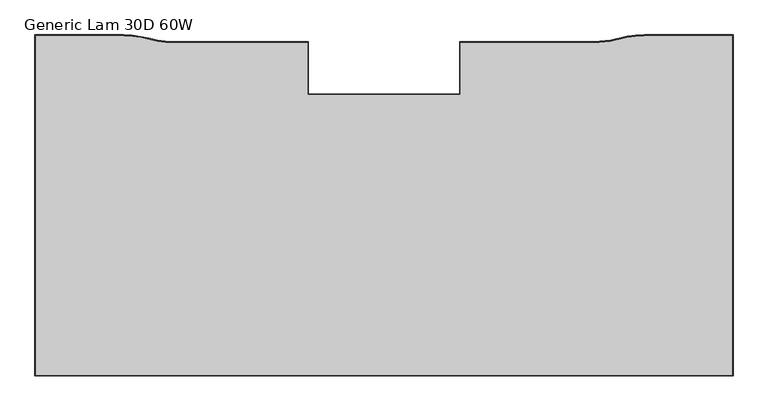
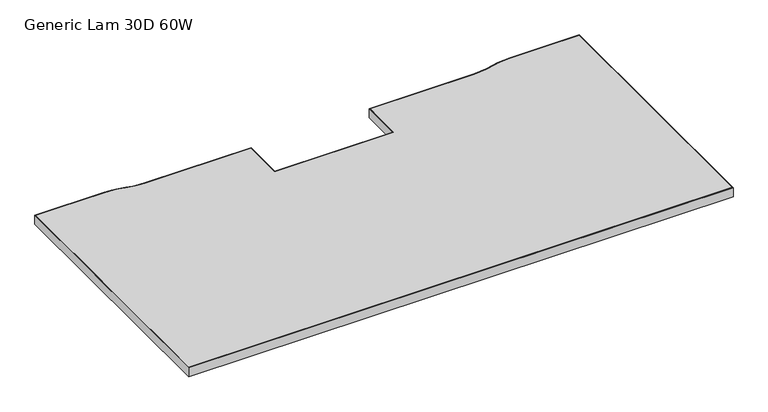
"""IFC4 building model written with IfcOpenShell, lengths in millimetres: furniture geometry, Generic Lam 30D 60W."""

from ifc_helpers import new_model, si_unit, frame, origin, place, context, project, spatial, polyline, outline, extrude, faceted_brep, source, transform, mapped, element, save


def generic_lam_30d_60w_fc366a4a(model_context):
    return source(origin(), model_context, "Body", "SolidModel", [
        extrude(outline(polyline([(593.9535937, -145.6435971), (926.8460063, -145.6435971), (926.8460063, -31.5975991), (1218.6555858, -31.5975991), (1254.6667599, -28.3288692), (1290.3386377, -20.0126083), (1308.6902792, -17.4446442), (1327.2007772, -16.5862005), (1519.3518029, -16.5862005), (1519.3518029, -757.2248121), (1.6002, -757.2248121), (1.6002, -16.5862005), (193.5988046, -16.5862005), (212.109339, -17.4446442), (230.4609804, -20.0126083), (248.4961805, -24.2680456), (266.1328583, -28.3288692), (284.0644309, -30.7787401), (302.1440323, -31.5975991), (593.9535937, -31.5975991), (593.9535937, -145.6435971)])), frame((0.0, 0.0, 697.23), z_axis=(0.0, 0.0, 1.0), x_axis=(1.0, 0.0, 0.0)), (0.0, 0.0, 1.0), 26.67),
        faceted_brep([(1327.2007772, -14.9842806, 723.9), (1327.2007772, -14.9842806, 697.23), (1308.6161479, -15.8461622, 697.23), (1308.6161479, -15.8461622, 723.9), (1327.2007772, -16.5862005, 697.23), (1327.2007772, -16.5862005, 723.9), (1308.6902792, -17.4446442, 723.9), (1308.6902792, -17.4446442, 697.23), (1290.1168806, -18.4278485, 697.23), (1290.1168806, -18.4278485, 723.9), (1290.3386377, -20.0126083, 723.9), (1290.3386377, -20.0126083, 697.23), (1254.4115522, -26.7452557, 697.23), (1254.4115522, -26.7452557, 723.9), (1254.6667599, -28.3288692, 723.9), (1254.6667599, -28.3288692, 697.23), (1218.5109306, -30.0039508, 697.23), (1218.5109306, -30.0039508, 723.9), (1218.6555858, -31.5975991, 723.9), (1218.6555858, -31.5975991, 697.23), (925.2458063, -29.9973991, 697.23), (925.2458063, -29.9973991, 723.9), (926.8460063, -31.5975991, 723.9), (926.8460063, -31.5975991, 697.23), (925.2458063, -144.0433971, 697.23), (925.2458063, -144.0433971, 723.9), (926.8460063, -145.6435971, 723.9), (926.8460063, -145.6435971, 697.23), (595.5537937, -144.0433971, 697.23), (595.5537937, -144.0433971, 723.9), (593.9535937, -145.6435971, 723.9), (593.9535937, -145.6435971, 697.23), (595.5537937, -29.9973991, 697.23), (595.5537937, -29.9973991, 723.9), (593.9535937, -31.5975991, 723.9), (593.9535937, -31.5975991, 697.23), (302.1440323, -29.9973991, 697.23), (302.1440323, -29.9973991, 723.9), (302.1440323, -31.5975991, 723.9), (302.1440323, -31.5975991, 697.23), (284.1368328, -29.1801789, 697.23), (284.1368328, -29.1801789, 723.9), (284.0644309, -30.7787401, 723.9), (284.0644309, -30.7787401, 697.23), (266.3494707, -26.7433979, 697.23), (266.3494707, -26.7433979, 723.9), (266.1328583, -28.3288692, 723.9), (266.1328583, -28.3288692, 697.23), (248.8552301, -22.7086472, 697.23), (248.8552301, -22.7086472, 723.9), (248.4961805, -24.2680456, 723.9), (248.4961805, -24.2680456, 697.23), (230.8284596, -18.4551748, 697.23), (230.8284596, -18.4551748, 723.9), (230.4609804, -20.0126083, 723.9), (230.4609804, -20.0126083, 697.23), (212.3310961, -15.8598843, 697.23), (212.3310961, -15.8598843, 723.9), (212.109339, -17.4446442, 723.9), (212.109339, -17.4446442, 697.23), (193.6729357, -14.9877185, 697.23), (193.6729357, -14.9877185, 723.9), (193.5988046, -16.5862005, 723.9), (193.5988046, -16.5862005, 697.23), (0.0, -14.9860005, 697.23), (0.0, -14.9860005, 723.9), (1.6002, -16.5862005, 723.9), (1.6002, -16.5862005, 697.23), (0.0, -758.8250121, 697.23), (0.0, -758.8250121, 723.9), (1.6002, -757.2248121, 723.9), (1.6002, -757.2248121, 697.23), (1520.9520029, -758.8250121, 697.23), (1520.9520029, -758.8250121, 723.9), (1519.3518029, -757.2248121, 723.9), (1519.3518029, -757.2248121, 697.23), (1520.9520029, -14.9860005, 697.23), (1520.9520029, -14.9860005, 723.9), (1519.3518029, -16.5862005, 723.9), (1519.3518029, -16.5862005, 697.23)], [[[0, 1, 2, 3]], [[4, 5, 6, 7]], [[3, 2, 8, 9]], [[7, 6, 10, 11]], [[9, 8, 12, 13]], [[11, 10, 14, 15]], [[13, 12, 16, 17]], [[15, 14, 18, 19]], [[17, 16, 20, 21]], [[19, 18, 22, 23]], [[21, 20, 24, 25]], [[23, 22, 26, 27]], [[25, 24, 28, 29]], [[27, 26, 30, 31]], [[29, 28, 32, 33]], [[31, 30, 34, 35]], [[33, 32, 36, 37]], [[35, 34, 38, 39]], [[37, 36, 40, 41]], [[39, 38, 42, 43]], [[41, 40, 44, 45]], [[43, 42, 46, 47]], [[45, 44, 48, 49]], [[47, 46, 50, 51]], [[49, 48, 52, 53]], [[51, 50, 54, 55]], [[53, 52, 56, 57]], [[55, 54, 58, 59]], [[57, 56, 60, 61]], [[59, 58, 62, 63]], [[61, 60, 64, 65]], [[63, 62, 66, 67]], [[65, 64, 68, 69]], [[67, 66, 70, 71]], [[69, 68, 72, 73]], [[71, 70, 74, 75]], [[73, 72, 76, 77]], [[75, 74, 78, 79]], [[1, 76, 72, 68, 64, 60, 56, 52, 48, 44, 40, 36, 32, 28, 24, 20, 16, 12, 8, 2], [71, 75, 79, 4, 7, 11, 15, 19, 23, 27, 31, 35, 39, 43, 47, 51, 55, 59, 63, 67]], [[77, 76, 1, 0]], [[69, 73, 77, 0, 3, 9, 13, 17, 21, 25, 29, 33, 37, 41, 45, 49, 53, 57, 61, 65], [5, 78, 74, 70, 66, 62, 58, 54, 50, 46, 42, 38, 34, 30, 26, 22, 18, 14, 10, 6]], [[79, 78, 5, 4]]]),
    ])


if __name__ == "__main__":
    model = new_model("IFC4")
    model_context = context("Model", 3, world=origin())
    ifc_project = project(units=[si_unit("LENGTHUNIT", "METRE", prefix="MILLI")], contexts=[model_context])
    site = spatial("IfcSite", under=ifc_project)
    building = spatial("IfcBuilding", under=site)
    placement = place(None, origin())
    generic_lam_30d_60w_shape = generic_lam_30d_60w_fc366a4a(model_context)
    element("IfcFurniture", 1, ObjectType="Generic Lam 30D 60W", at=placement, inside=building, context=model_context, shape_type="MappedRepresentation", body=[
        mapped(generic_lam_30d_60w_shape, transform((0.0, 0.0, 0.0), x_axis=(1.0, 0.0, 0.0), y_axis=(0.0, 1.0, 0.0), z_axis=(0.0, 0.0, 1.0))),
    ])
    save(model, "model.ifc")
